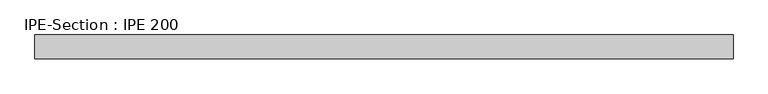
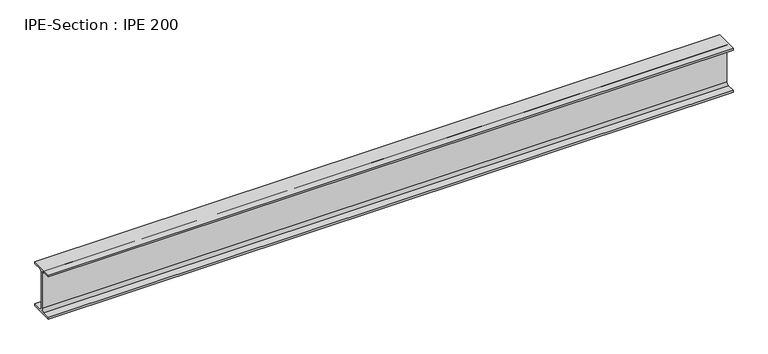
"""IFC4 building model written with IfcOpenShell, lengths in millimetres: beam geometry, IPE-Section : IPE 200."""

from ifc_helpers import new_model, si_unit, point, frame, frame_2d, origin, place, context, project, spatial, polyline, circle_curve, trimmed, segment, composite_curve, outline, extrude, source, transform, mapped, element, save


def ipe_section_ipe_200_af91961c(model_context):
    return source(origin(), model_context, "Body", "SweptSolid", [
        extrude(outline(composite_curve([segment(polyline([(50.0, -91.5), (50.0, -100.0), (-50.0, -100.0), (-50.0, -91.5), (-14.8, -91.5)]), True, "CONTINUOUS"), segment(trimmed(circle_curve(frame_2d((-14.8, -79.5)), 12.0), [point((-14.8, -91.5))], [point((-2.8, -79.5))], True, "CARTESIAN"), True, "CONTINUOUS"), segment(polyline([(-2.8, -79.5), (-2.8, 79.5)]), True, "CONTINUOUS"), segment(trimmed(circle_curve(frame_2d((-14.8, 79.5)), 12.0), [point((-2.8, 79.5))], [point((-14.8, 91.5))], True, "CARTESIAN"), True, "CONTINUOUS"), segment(polyline([(-14.8, 91.5), (-50.0, 91.5), (-50.0, 100.0), (50.0, 100.0), (50.0, 91.5), (14.8, 91.5)]), True, "CONTINUOUS"), segment(trimmed(circle_curve(frame_2d((14.8, 79.5)), 12.0), [point((14.8, 91.5))], [point((2.8, 79.5))], True, "CARTESIAN"), True, "CONTINUOUS"), segment(polyline([(2.8, 79.5), (2.8, -79.5)]), True, "CONTINUOUS"), segment(trimmed(circle_curve(frame_2d((14.8, -79.5)), 12.0), [point((2.8, -79.5))], [point((14.8, -91.5))], True, "CARTESIAN"), True, "CONTINUOUS"), segment(polyline([(14.8, -91.5), (50.0, -91.5)]), True, "CONTINUOUS")], self_intersect=False)), frame((-1470.0473961, 0.0, 0.0), z_axis=(1.0, 0.0, 0.0), x_axis=(0.0, 1.0, 0.0)), (0.0, 0.0, 1.0), 2940.0947921),
    ])


if __name__ == "__main__":
    model = new_model("IFC4")
    model_context = context("Model", 3, world=origin())
    ifc_project = project(units=[si_unit("LENGTHUNIT", "METRE", prefix="MILLI")], contexts=[model_context])
    site = spatial("IfcSite", under=ifc_project)
    building = spatial("IfcBuilding", under=site)
    placement = place(None, origin())
    ipe_section_ipe_200_shape = ipe_section_ipe_200_af91961c(model_context)
    element("IfcBeam", 1, ObjectType="IPE-Section : IPE 200", at=placement, inside=building, context=model_context, shape_type="MappedRepresentation", body=[
        mapped(ipe_section_ipe_200_shape, transform((0.0, 0.0, 0.0), x_axis=(1.0, 0.0, 0.0), y_axis=(0.0, 1.0, 0.0), z_axis=(0.0, 0.0, 1.0))),
    ])
    save(model, "model.ifc")
